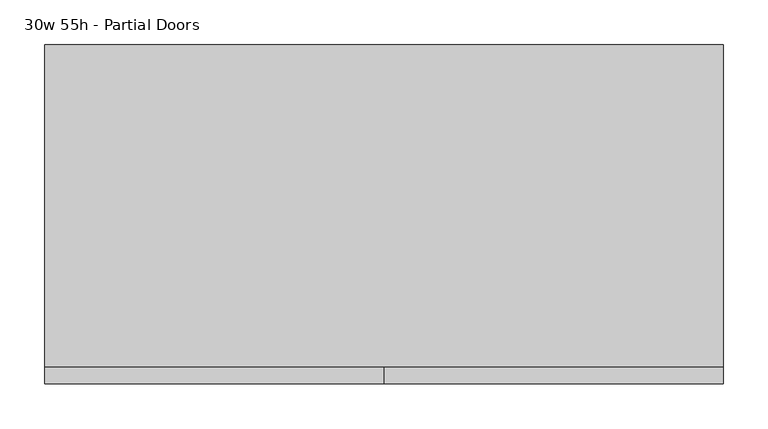
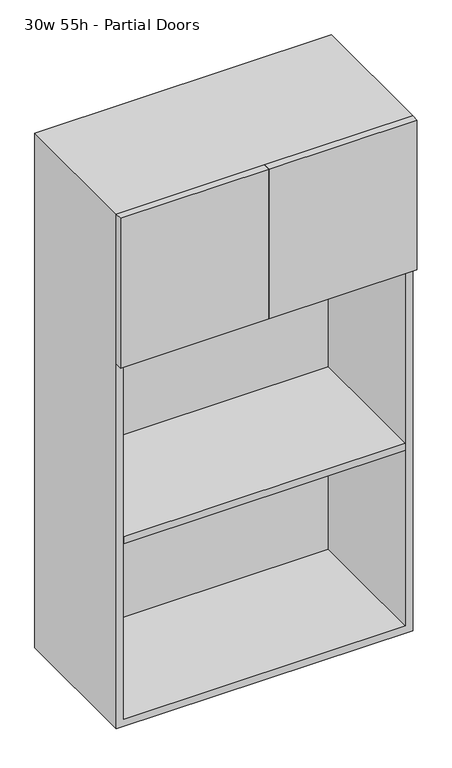
"""IFC4 building model written with IfcOpenShell, lengths in millimetres: furniture geometry, 30w 55h - Partial Doors."""

from ifc_helpers import new_model, si_unit, frame, origin, place, context, project, spatial, polyline, outline, extrude, source, transform, mapped, element, save


def furniture_30w_55h_partial_doors_0ce13275(model_context):
    return source(origin(), model_context, "Body", "SweptSolid", [
        extrude(outline(polyline([(361.9569453, 161.925), (361.9569453, -180.975), (-361.9291641, -180.975), (-361.9291641, 161.925), (361.9569453, 161.925)])), frame((0.0, 0.0, 1727.2), z_axis=(0.0, 0.0, 1.0), x_axis=(1.0, 0.0, 0.0)), (0.0, 0.0, 1.0), 19.05),
        extrude(outline(polyline([(361.9569453, 161.925), (361.9569453, -180.975), (-361.9291641, -180.975), (-361.9291641, 161.925), (361.9569453, 161.925)])), frame((0.0, 0.0, 1231.9), z_axis=(0.0, 0.0, 1.0), x_axis=(1.0, 0.0, 0.0)), (0.0, 0.0, 1.0), 19.05),
        extrude(outline(polyline([(0.0138906, -200.025), (0.0138906, -180.975), (381.0138906, -180.975), (381.0138906, -200.025), (0.0138906, -200.025)])), frame((0.0, 0.0, 1727.2), z_axis=(0.0, 0.0, 1.0), x_axis=(1.0, 0.0, 0.0)), (0.0, 0.0, 1.0), 406.4),
        extrude(outline(polyline([(0.0138906, -200.025), (-380.9861094, -200.025), (-380.9861094, -180.975), (0.0138906, -180.975), (0.0138906, -200.025)])), frame((0.0, 0.0, 1727.2), z_axis=(0.0, 0.0, 1.0), x_axis=(1.0, 0.0, 0.0)), (0.0, 0.0, 1.0), 406.4),
        extrude(outline(polyline([(736.6, -380.9861094), (736.6, 381.0138906), (2133.6, 381.0138906), (2133.6, -380.9861094), (736.6, -380.9861094)]), holes=[polyline([(755.65, -361.9361094), (2114.55, -361.9361094), (2114.55, 361.9569453), (755.65, 361.9569453), (755.65, -361.9361094)])]), frame((0.0, -180.975, 0.0), z_axis=(0.0, 1.0, 0.0), x_axis=(0.0, 0.0, 1.0)), (0.0, 0.0, 1.0), 361.95),
        extrude(outline(polyline([(-361.9291641, 161.925), (-361.9291641, 180.975), (361.9569453, 180.975), (361.9569453, 161.925), (-361.9291641, 161.925)])), frame((0.0, 0.0, 755.65), z_axis=(0.0, 0.0, 1.0), x_axis=(1.0, 0.0, 0.0)), (0.0, 0.0, 1.0), 1358.9),
    ])


if __name__ == "__main__":
    model = new_model("IFC4")
    model_context = context("Model", 3, world=origin())
    ifc_project = project(units=[si_unit("LENGTHUNIT", "METRE", prefix="MILLI")], contexts=[model_context])
    site = spatial("IfcSite", under=ifc_project)
    building = spatial("IfcBuilding", under=site)
    placement = place(None, origin())
    furniture_30w_55h_partial_doors_shape = furniture_30w_55h_partial_doors_0ce13275(model_context)
    element("IfcFurniture", 1, ObjectType="30w 55h - Partial Doors", at=placement, inside=building, context=model_context, shape_type="MappedRepresentation", body=[
        mapped(furniture_30w_55h_partial_doors_shape, transform((0.0, 0.0, 0.0), x_axis=(1.0, 0.0, 0.0), y_axis=(0.0, 1.0, 0.0), z_axis=(0.0, 0.0, 1.0))),
    ])
    save(model, "model.ifc")
